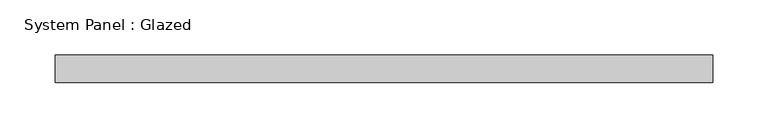
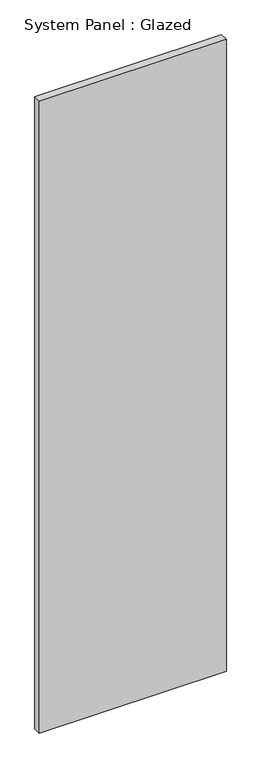
"""IFC4 building model written with IfcOpenShell, lengths in millimetres: plate geometry, System Panel : Glazed."""

from ifc_helpers import new_model, si_unit, origin, origin_with_axes, place, context, project, spatial, polyline, outline, extrude, source, transform, mapped, element, save


def system_panel_glazed_8c544e97(model_context):
    return source(origin(), model_context, "Body", "SweptSolid", [
        extrude(outline(polyline([(298.846875, -44.45), (-298.846875, -44.45), (-298.846875, -19.05), (298.846875, -19.05), (298.846875, -44.45)])), origin_with_axes(), (0.0, 0.0, 1.0), 2133.6),
    ])


if __name__ == "__main__":
    model = new_model("IFC4")
    model_context = context("Model", 3, world=origin())
    ifc_project = project(units=[si_unit("LENGTHUNIT", "METRE", prefix="MILLI")], contexts=[model_context])
    site = spatial("IfcSite", under=ifc_project)
    building = spatial("IfcBuilding", under=site)
    placement = place(None, origin())
    system_panel_glazed_shape = system_panel_glazed_8c544e97(model_context)
    element("IfcPlate", 1, ObjectType="System Panel : Glazed", at=placement, inside=building, context=model_context, shape_type="MappedRepresentation", body=[
        mapped(system_panel_glazed_shape, transform((0.0, 0.0, 0.0), x_axis=(1.0, 0.0, 0.0), y_axis=(0.0, 1.0, 0.0), z_axis=(0.0, 0.0, 1.0))),
    ])
    save(model, "model.ifc")
